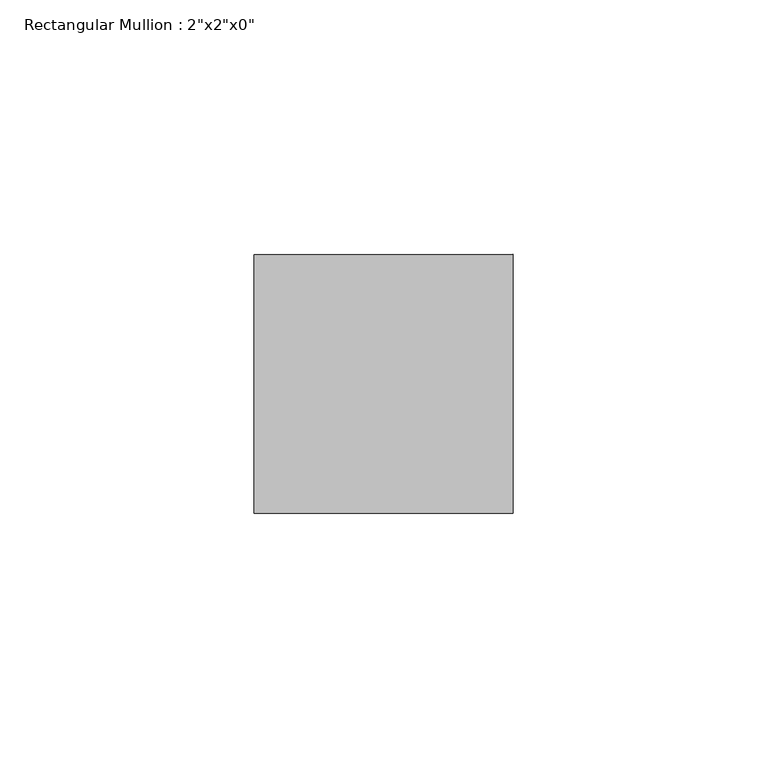
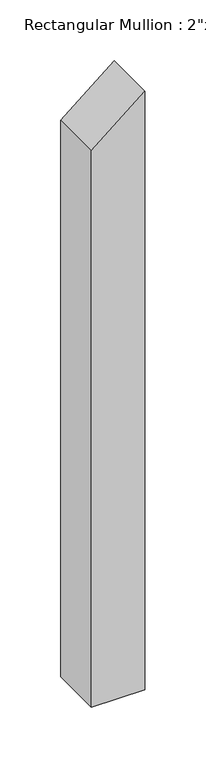
"""IFC4 building model written with IfcOpenShell, lengths in millimetres: member geometry."""

from ifc_helpers import new_model, si_unit, frame, origin, place, context, project, spatial, polyline, outline, extrude, source, transform, mapped, element, save


def member_3c02e0a2(model_context):
    return source(origin(), model_context, "Body", "SweptSolid", [
        extrude(outline(polyline([(-33.0425367, 0.0), (-75.3106916, -50.8), (-635.0, -50.8), (-635.0, 0.0), (-33.0425367, 0.0)])), frame((0.0, -25.4, 0.0), z_axis=(0.0, 1.0, 0.0), x_axis=(0.0, 0.0, 1.0)), (0.0, 0.0, 1.0), 50.8),
    ])


if __name__ == "__main__":
    model = new_model("IFC4")
    model_context = context("Model", 3, world=origin())
    ifc_project = project(units=[si_unit("LENGTHUNIT", "METRE", prefix="MILLI")], contexts=[model_context])
    site = spatial("IfcSite", under=ifc_project)
    building = spatial("IfcBuilding", under=site)
    placement = place(None, origin())
    member_shape = member_3c02e0a2(model_context)
    element("IfcMember", 1, ObjectType="Rectangular Mullion : 2\"x2\"x0\"", at=placement, inside=building, context=model_context, shape_type="MappedRepresentation", body=[
        mapped(member_shape, transform((0.0, 0.0, 0.0), x_axis=(1.0, 0.0, 0.0), y_axis=(0.0, 1.0, 0.0), z_axis=(0.0, 0.0, 1.0))),
    ])
    save(model, "model.ifc")
